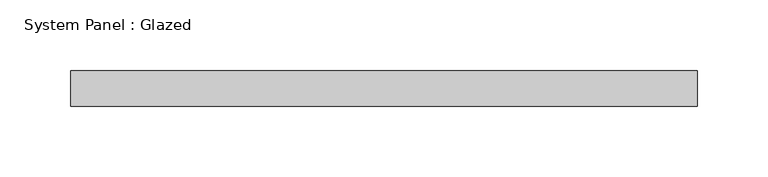
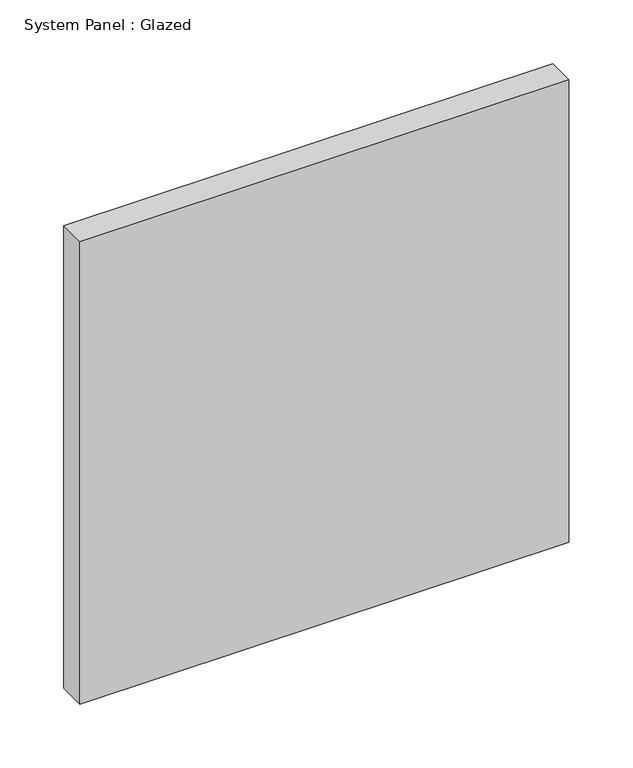
"""IFC4 building model written with IfcOpenShell, lengths in millimetres: plate geometry, System Panel : Glazed."""

from ifc_helpers import new_model, si_unit, origin, origin_with_axes, place, context, project, spatial, polyline, outline, extrude, source, transform, mapped, element, save


def system_panel_glazed_f6f73601(model_context):
    return source(origin(), model_context, "Body", "SweptSolid", [
        extrude(outline(polyline([(222.25, -12.7), (-222.25, -12.7), (-222.25, 12.7), (222.25, 12.7), (222.25, -12.7)])), origin_with_axes(), (0.0, 0.0, 1.0), 444.5),
    ])


if __name__ == "__main__":
    model = new_model("IFC4")
    model_context = context("Model", 3, world=origin())
    ifc_project = project(units=[si_unit("LENGTHUNIT", "METRE", prefix="MILLI")], contexts=[model_context])
    site = spatial("IfcSite", under=ifc_project)
    building = spatial("IfcBuilding", under=site)
    placement = place(None, origin())
    system_panel_glazed_shape = system_panel_glazed_f6f73601(model_context)
    element("IfcPlate", 1, ObjectType="System Panel : Glazed", at=placement, inside=building, context=model_context, shape_type="MappedRepresentation", body=[
        mapped(system_panel_glazed_shape, transform((0.0, 0.0, 0.0), x_axis=(1.0, 0.0, 0.0), y_axis=(0.0, 1.0, 0.0), z_axis=(0.0, 0.0, 1.0))),
    ])
    save(model, "model.ifc")
